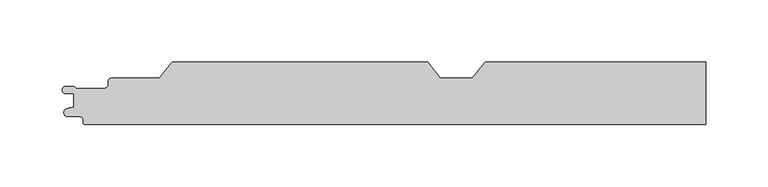
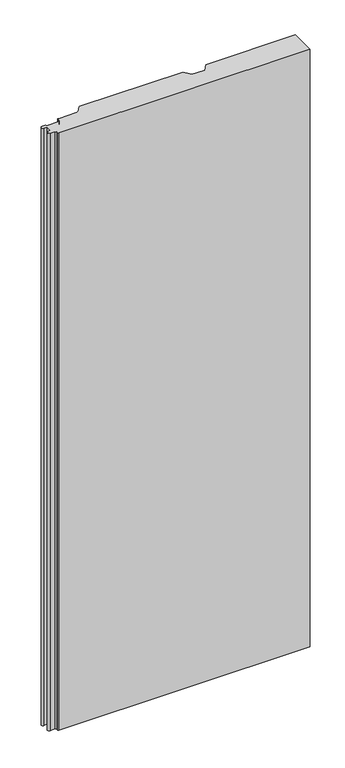
"""IFC4 building model written with IfcOpenShell, lengths in millimetres: proxy geometry."""

from ifc_helpers import new_model, si_unit, point, frame_2d, origin, origin_with_axes, place, context, project, spatial, polyline, circle_curve, trimmed, segment, composite_curve, outline, extrude, source, transform, mapped, element, save


def generic_models_4e52e0a2(model_context):
    return source(origin(), model_context, "Body", "SweptSolid", [
        extrude(outline(composite_curve([segment(trimmed(circle_curve(frame_2d((-498.3, -23.3)), 1.7), [point((-498.3, -25.0))], [point((-500.0, -23.3))], False, "CARTESIAN"), True, "CONTINUOUS"), segment(polyline([(-500.0, -23.3), (-500.0, -21.2)]), True, "CONTINUOUS"), segment(trimmed(circle_curve(frame_2d((-502.3, -21.2)), 2.3), [point((-500.0, -21.2))], [point((-502.3, -18.9))], True, "CARTESIAN"), True, "CONTINUOUS"), segment(polyline([(-502.3, -18.9), (-512.1, -18.9)]), True, "CONTINUOUS"), segment(trimmed(circle_curve(frame_2d((-512.1, -15.6)), 3.3), [point((-512.1, -18.9))], [point((-512.8423385, -12.3845788))], False, "CARTESIAN"), True, "CONTINUOUS"), segment(polyline([(-512.8423385, -12.3845788), (-507.347117, -11.115907), (-507.347117, -0.4369697), (-513.6706314, -0.4369697)]), True, "CONTINUOUS"), segment(trimmed(circle_curve(frame_2d((-513.6706314, 2.5444825)), 2.9814522), [point((-513.6706314, -0.4369697))], [point((-513.6706314, 5.5259348))], False, "CARTESIAN"), True, "CONTINUOUS"), segment(polyline([(-513.6706314, 5.5259348), (-507.3945609, 5.5259348)]), True, "CONTINUOUS"), segment(trimmed(circle_curve(frame_2d((-508.5138365, 3.7784532)), 2.0752035), [point((-507.3945609, 5.5259348))], [point((-506.7792948, 4.9176786))], False, "CARTESIAN"), True, "CONTINUOUS"), segment(trimmed(circle_curve(frame_2d((-505.0374222, 5.9004705)), 2.0), [point((-506.7792948, 4.9176786))], [point((-505.0374222, 3.9004705))], True, "CARTESIAN"), True, "CONTINUOUS"), segment(polyline([(-505.0374222, 3.9004705), (-482.9999474, 3.9004705)]), True, "CONTINUOUS"), segment(trimmed(circle_curve(frame_2d((-482.9999474, 7.3004705)), 3.4), [point((-482.9999474, 3.9004705))], [point((-479.5999474, 7.3004705))], True, "CARTESIAN"), True, "CONTINUOUS"), segment(polyline([(-479.5999474, 7.3004705), (-479.5999474, 9.6001056)]), True, "CONTINUOUS"), segment(trimmed(circle_curve(frame_2d((-477.1999474, 9.6001056)), 2.4), [point((-479.5999474, 9.6001056))], [point((-477.1999474, 12.0001056))], False, "CARTESIAN"), True, "CONTINUOUS"), segment(polyline([(-477.1999474, 12.0001056), (-440.0250086, 12.0001056)]), True, "CONTINUOUS"), segment(trimmed(circle_curve(frame_2d((-440.0250086, 14.4001056)), 2.4), [point((-440.0250086, 12.0001056))], [point((-438.1509234, 12.9008374))], True, "CARTESIAN"), True, "CONTINUOUS"), segment(polyline([(-438.1509234, 12.9008374), (-429.1021057, 24.2118596)]), True, "CONTINUOUS"), segment(trimmed(circle_curve(frame_2d((-427.4622812, 22.9)), 2.1), [point((-429.1021057, 24.2118596))], [point((-427.4622812, 25.0))], False, "CARTESIAN"), True, "CONTINUOUS"), segment(polyline([(-427.4622812, 25.0), (-223.3843192, 25.0), (-212.9844163, 12.0), (-187.3999029, 12.0), (-177.0, 25.0), (-3e-07, 25.0), (-3e-07, -25.0), (-498.3, -25.0)]), True, "CONTINUOUS")], self_intersect=False)), origin_with_axes(), (0.0, 0.0, 1.0), 1250.0),
    ])


if __name__ == "__main__":
    model = new_model("IFC4")
    model_context = context("Model", 3, world=origin())
    ifc_project = project(units=[si_unit("LENGTHUNIT", "METRE", prefix="MILLI")], contexts=[model_context])
    site = spatial("IfcSite", under=ifc_project)
    building = spatial("IfcBuilding", under=site)
    placement = place(None, origin())
    generic_models_shape = generic_models_4e52e0a2(model_context)
    element("IfcBuildingElementProxy", 1, Name="Generic Models", at=placement, inside=building, context=model_context, shape_type="MappedRepresentation", body=[
        mapped(generic_models_shape, transform((0.0, 0.0, 0.0), x_axis=(1.0, 0.0, 0.0), y_axis=(0.0, 1.0, 0.0), z_axis=(0.0, 0.0, 1.0))),
    ])
    save(model, "model.ifc")
